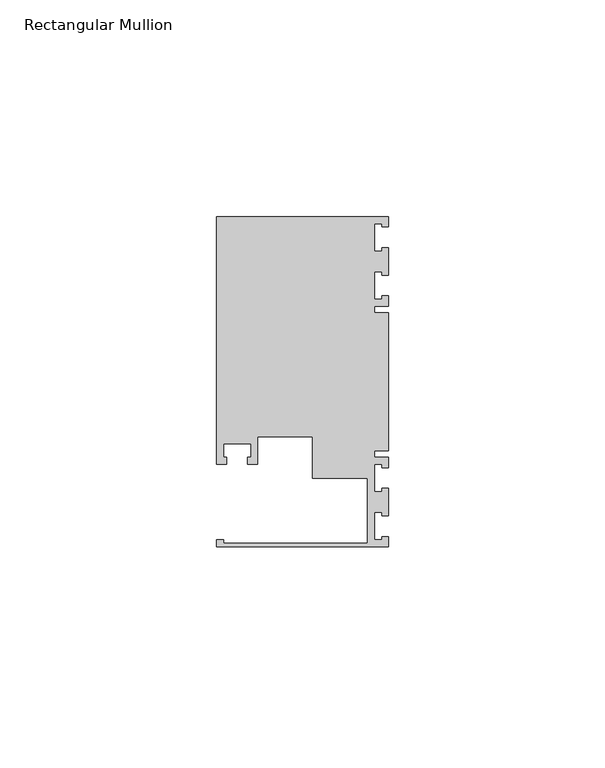
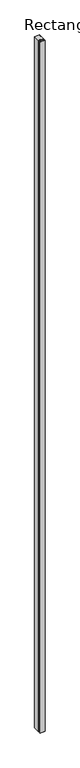
"""IFC4 building model written with IfcOpenShell, lengths in millimetres: member geometry, Rectangular Mullion."""

from ifc_helpers import new_model, si_unit, frame, origin, place, context, project, spatial, polyline, outline, extrude, source, transform, mapped, element, save


def rectangular_mullion_f41fa061(model_context):
    return source(origin(), model_context, "Body", "SweptSolid", [
        extrude(outline(polyline([(0.0, -38.1), (-39.6875, -38.1), (-39.6875, -36.5125), (-38.1, -36.5125), (-38.1, -37.30625), (-4.8585733, -37.30625), (-4.8585733, -22.225), (-17.4625, -22.225), (-17.4625, -12.6999969), (-30.1625, -12.6999969), (-30.1625, -19.05), (-32.54375, -19.05), (-32.54375, -17.4625), (-31.75, -17.4625), (-31.75, -14.2875), (-38.1, -14.2875), (-38.1, -17.4625), (-37.30625, -17.4625), (-37.30625, -19.05), (-39.6875, -19.05), (-39.6875, 38.1), (0.0, 38.1), (0.0, 35.71875), (-1.4999946, 35.71875), (-1.4999946, 36.5125), (-3.175, 36.5125), (-3.175, 30.1625), (-1.4999946, 30.1625), (-1.4999946, 30.95625), (0.0, 30.95625), (0.0, 24.60625), (-1.4999946, 24.60625), (-1.4999946, 25.4), (-3.175, 25.4), (-3.175, 19.05), (-1.4999946, 19.05), (-1.4999946, 19.84375), (0.0, 19.84375), (0.0, 17.4625), (-3.175, 17.4625), (-3.175, 15.875), (0.0, 15.875), (0.0, -15.875), (-3.175, -15.875), (-3.175, -17.4625), (0.0, -17.4625), (0.0, -19.84375), (-1.4999946, -19.84375), (-1.4999946, -19.05), (-3.175, -19.05), (-3.175, -25.4), (-1.4999946, -25.4), (-1.4999946, -24.60625), (0.0, -24.60625), (0.0, -30.95625), (-1.4999946, -30.95625), (-1.4999946, -30.1625), (-3.175, -30.1625), (-3.175, -36.5125), (-1.4999946, -36.5125), (-1.4999946, -35.71875), (0.0, -35.71875), (0.0, -38.1)])), frame((0.0, 0.0, -5991.225), z_axis=(0.0, 0.0, 1.0), x_axis=(1.0, 0.0, 0.0)), (0.0, 0.0, 1.0), 5991.225),
    ])


if __name__ == "__main__":
    model = new_model("IFC4")
    model_context = context("Model", 3, world=origin())
    ifc_project = project(units=[si_unit("LENGTHUNIT", "METRE", prefix="MILLI")], contexts=[model_context])
    site = spatial("IfcSite", under=ifc_project)
    building = spatial("IfcBuilding", under=site)
    placement = place(None, origin())
    rectangular_mullion_shape = rectangular_mullion_f41fa061(model_context)
    element("IfcMember", 1, ObjectType="Rectangular Mullion", at=placement, inside=building, context=model_context, shape_type="MappedRepresentation", body=[
        mapped(rectangular_mullion_shape, transform((0.0, 0.0, 0.0), x_axis=(1.0, 0.0, 0.0), y_axis=(0.0, 1.0, 0.0), z_axis=(0.0, 0.0, 1.0))),
    ])
    save(model, "model.ifc")
